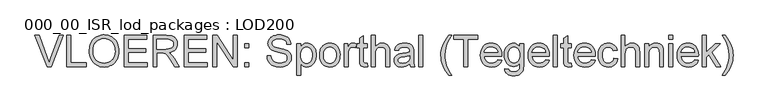
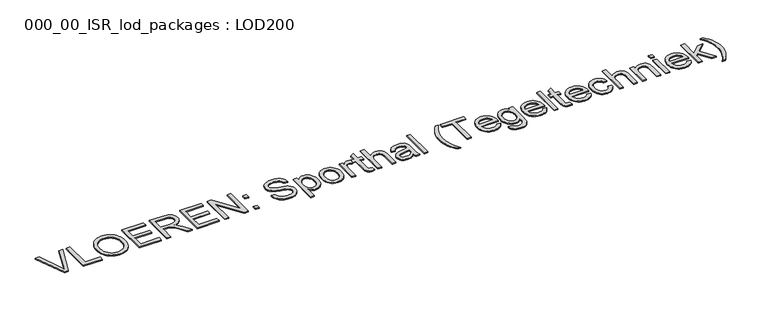
"""IFC4 building model written with IfcOpenShell, lengths in millimetres: proxy geometry, 000_00_ISR_lod_packages : LOD200."""

from ifc_helpers import new_model, si_unit, origin, origin_with_axes, place, context, project, spatial, polyline, outline, extrude, source, transform, mapped, element, save


def proxy_000_00_isr_lod_packages_lod200_f73553c7(model_context):
    return source(origin(), model_context, "Body", "SweptSolid", [
        extrude(outline(polyline([(817.155303, 500.0), (505.3560606, 1283.5151515), (610.1818182, 1283.5151515), (818.8768939, 719.0246212), (861.1515152, 591.8181818), (902.8522727, 719.0246212), (1112.1212121, 1283.5151515), (1216.9469697, 1283.5151515), (918.3465909, 500.0), (817.155303, 500.0)])), origin_with_axes(), (0.0, 0.0, 1.0), 25.0),
        extrude(outline(polyline([(1308.0, 500.0), (1308.0, 1283.5151515), (1405.9393939, 1283.5151515), (1405.9393939, 597.9393939), (1797.6969697, 597.9393939), (1797.6969697, 500.0), (1308.0, 500.0)])), origin_with_axes(), (0.0, 0.0, 1.0), 25.0),
        extrude(outline(polyline([(1871.1515152, 881.4280303), (1872.7834399, 928.6970585), (1877.679214, 973.3299006), (1885.8388376, 1015.3265566), (1897.2623106, 1054.6870265), (1911.949633, 1091.4113104), (1929.9008049, 1125.4994081), (1951.1158262, 1156.9513198), (1975.594697, 1185.7670455), (2002.6529652, 1211.546076), (2031.606179, 1233.8879025), (2062.4543383, 1252.7925249), (2095.1974432, 1268.2599432), (2129.8354936, 1280.2901574), (2166.3684896, 1288.8831676), (2204.7964311, 1294.0389737), (2245.1193182, 1295.7575758), (2297.8310843, 1292.5295928), (2347.8887311, 1282.8456439), (2395.2922585, 1266.7057292), (2440.0416667, 1244.1098485), (2480.8816288, 1215.739465), (2516.5568182, 1182.2760417), (2547.0672348, 1143.7195786), (2572.4128788, 1100.0700758), (2592.3307292, 1052.319839), (2606.5577652, 1001.4611742), (2615.0939867, 947.4940814), (2617.9393939, 890.4185606), (2614.9445431, 832.5898437), (2605.9599905, 777.8934659), (2590.9857363, 726.3294271), (2570.0217803, 677.8977273), (2543.5642756, 633.8776042), (2512.109375, 595.5482955), (2475.6570786, 562.9098011), (2434.2073864, 535.9621212), (2389.392223, 514.8726326), (2342.8435133, 499.8087121), (2294.5612571, 490.7703598), (2244.5454545, 487.7575758), (2190.9131155, 491.0871804), (2140.1979167, 501.0759943), (2092.399858, 517.7240175), (2047.5189394, 541.03125), (2006.7267992, 570.0950521), (1971.1950758, 604.0127841), (1940.9237689, 642.784446), (1915.9128788, 686.4100379), (1896.3297822, 733.13808), (1882.3418561, 781.2170928), (1873.9491004, 830.6470762), (1871.1515152, 881.4280303)]), holes=[polyline([(1969.0909091, 880.4715909), (1973.9866832, 815.5413116), (1988.6740057, 757.9038826), (2013.1528764, 707.559304), (2047.4232955, 664.5075758), (2089.0822088, 630.0279356), (2135.7265625, 605.3996212), (2187.3563565, 590.6226326), (2243.9715909, 585.6969697), (2301.5552202, 590.6704545), (2353.7947443, 605.5909091), (2400.6901634, 630.4583333), (2442.2414773, 665.2727273), (2460.466131, 686.2097834), (2476.260831, 709.2330729), (2500.5603693, 761.5383523), (2515.1400923, 822.1885653), (2520.0, 891.1837121), (2517.9197443, 936.0048532), (2511.6789773, 977.8849432), (2501.2776989, 1016.823982), (2486.7159091, 1052.8219697), (2468.1550071, 1085.4066643), (2445.756392, 1114.1058239), (2419.5200639, 1138.9194484), (2389.4460227, 1159.8475379), (2356.4667969, 1176.4596946), (2321.5149148, 1188.3255208), (2284.5903764, 1195.4450166), (2245.6931818, 1197.8181818), (2191.0446259, 1193.245206), (2140.3413826, 1179.5262784), (2093.5834517, 1156.6613991), (2050.7708333, 1124.6505682), (2031.6271011, 1104.8298562), (2015.0358665, 1081.951527), (2000.9971295, 1056.0155806), (1989.5108902, 1027.022017), (1974.1959044, 959.8620384), (1969.0909091, 880.4715909)])]), origin_with_axes(), (0.0, 0.0, 1.0), 25.0),
        extrude(outline(polyline([(2752.6060606, 500.0), (2752.6060606, 1283.5151515), (3315.7575758, 1283.5151515), (3315.7575758, 1185.5757576), (2850.5454545, 1185.5757576), (2850.5454545, 952.969697), (3291.2727273, 952.969697), (3291.2727273, 855.030303), (2850.5454545, 855.030303), (2850.5454545, 597.9393939), (3328.0, 597.9393939), (3328.0, 500.0), (2752.6060606, 500.0)])), origin_with_axes(), (0.0, 0.0, 1.0), 25.0),
        extrude(outline(polyline([(3474.9090909, 500.0), (3474.9090909, 1283.5151515), (3812.532197, 1283.5151515), (3903.2743845, 1278.2308239), (3939.3739938, 1271.6254143), (3969.2926136, 1262.3778409), (3994.769768, 1249.7767519), (4017.5449811, 1233.1107955), (4037.6182528, 1212.3799716), (4054.9895833, 1187.5842803), (4069.0073982, 1160.056759), (4079.0201231, 1131.1304451), (4085.027758, 1100.8053385), (4087.030303, 1069.0814394), (4083.7126539, 1028.8392519), (4073.7597064, 991.8967803), (4057.1714607, 958.2540246), (4033.9479167, 927.9109848), (4003.790187, 901.8360559), (3966.3993845, 880.9976326), (3921.775509, 865.395715), (3869.9185606, 855.030303), (3902.1983902, 833.9408144), (3925.5833333, 813.1382576), (3965.7059659, 765.5553977), (4004.967803, 712.3295455), (4135.6174242, 500.0), (4021.8011364, 500.0), (3919.844697, 662.4034091), (3846.1988636, 769.907197), (3818.820786, 801.2544981), (3794.4554924, 820.6941288), (3771.381392, 832.0996686), (3747.8768939, 839.344697), (3691.0643939, 842.7878788), (3572.8484848, 842.7878788), (3572.8484848, 500.0), (3474.9090909, 500.0)]), holes=[polyline([(3572.8484848, 940.7272727), (3792.0643939, 940.7272727), (3855.022017, 944.1943655), (3903.8721591, 954.5956439), (3940.6472538, 972.6245265), (3955.268821, 984.7593513), (3967.3797348, 998.9744318), (3983.6631155, 1030.8477746), (3989.0909091, 1065.4469697), (3986.502545, 1090.4937263), (3978.7374527, 1113.2211174), (3965.7956321, 1133.629143), (3947.6770833, 1151.717803), (3923.9633641, 1166.5306581), (3894.2360322, 1177.1112689), (3858.4950876, 1183.4596354), (3816.7405303, 1185.5757576), (3572.8484848, 1185.5757576), (3572.8484848, 940.7272727)])]), origin_with_axes(), (0.0, 0.0, 1.0), 25.0),
        extrude(outline(polyline([(4258.4242424, 500.0), (4258.4242424, 1283.5151515), (4821.5757576, 1283.5151515), (4821.5757576, 1185.5757576), (4356.3636364, 1185.5757576), (4356.3636364, 952.969697), (4797.0909091, 952.969697), (4797.0909091, 855.030303), (4356.3636364, 855.030303), (4356.3636364, 597.9393939), (4833.8181818, 597.9393939), (4833.8181818, 500.0), (4258.4242424, 500.0)])), origin_with_axes(), (0.0, 0.0, 1.0), 25.0),
        extrude(outline(polyline([(4980.7272727, 500.0), (4980.7272727, 1283.5151515), (5085.5530303, 1283.5151515), (5494.9090909, 662.7859848), (5494.9090909, 1283.5151515), (5592.8484848, 1283.5151515), (5592.8484848, 500.0), (5488.0227273, 500.0), (5078.6666667, 1120.9204545), (5078.6666667, 500.0), (4980.7272727, 500.0)])), origin_with_axes(), (0.0, 0.0, 1.0), 25.0),
        extrude(outline(polyline([(5776.4848485, 500.0), (5776.4848485, 597.9393939), (5874.4242424, 597.9393939), (5874.4242424, 500.0), (5776.4848485, 500.0)])), origin_with_axes(), (0.0, 0.0, 1.0), 25.0),
        extrude(outline(polyline([(5776.4848485, 977.4545455), (5776.4848485, 1075.3939394), (5874.4242424, 1075.3939394), (5874.4242424, 977.4545455), (5776.4848485, 977.4545455)])), origin_with_axes(), (0.0, 0.0, 1.0), 25.0),
        extrude(outline(polyline([(6339.6363636, 769.3333333), (6437.5757576, 769.3333333), (6448.8139205, 714.9836648), (6457.8403172, 691.8079427), (6469.1382576, 671.2982955), (6483.2816051, 653.0422585), (6500.8442235, 636.6273674), (6521.8261127, 622.0536222), (6546.2272727, 609.3210227), (6573.1510417, 598.9854995), (6601.7007576, 591.602983), (6663.6780303, 585.6969697), (6718.2428977, 590.1683239), (6766.0170455, 603.5823864), (6804.7289299, 624.8153409), (6819.8346946, 637.9424716), (6832.1070076, 652.7433712), (6848.3903883, 684.8080019), (6853.8181818, 718.4507576), (6849.7533144, 751.2327178), (6837.5587121, 779.5672348), (6827.3008996, 792.1384351), (6812.7869318, 803.7412405), (6770.9905303, 824.0416667), (6719.2710701, 839.4164299), (6628.3854167, 861.438447), (6534.773911, 886.1863163), (6474.8768939, 909.7386364), (6448.7242543, 925.340554), (6426.1223958, 942.6879735), (6407.0713187, 961.7808949), (6391.5710227, 982.6193182), (6379.5617306, 1004.9880445), (6370.9836648, 1028.671875), (6365.8368253, 1053.6708097), (6364.1212121, 1079.9848485), (6366.243312, 1109.1502723), (6372.6096117, 1137.3473011), (6383.2201113, 1164.5759351), (6398.0748106, 1190.8361742), (6417.0063329, 1215.0580019), (6439.8473011, 1236.1714015), (6466.5977154, 1254.1763731), (6497.2575758, 1269.0729167), (6530.792732, 1280.747455), (6566.1690341, 1289.086411), (6603.386482, 1294.0897846), (6642.4450758, 1295.7575758), (6685.0544508, 1294.0120739), (6725.0814394, 1288.7755682), (6762.5260417, 1280.0480587), (6797.3882576, 1267.8295455), (6829.0224905, 1252.2276278), (6856.7831439, 1233.3499053), (6880.6702178, 1211.1963778), (6900.6837121, 1185.7670455), (6916.6682055, 1157.8031487), (6928.4682765, 1128.045928), (6936.0839252, 1096.4953835), (6939.5151515, 1063.1515152), (6841.5757576, 1063.1515152), (6835.0241477, 1094.4031723), (6823.594697, 1121.5899621), (6807.2874053, 1144.7118845), (6786.1022727, 1163.7689394), (6759.644768, 1178.665483), (6727.5203598, 1189.3058712), (6689.7290483, 1195.6901042), (6646.2708333, 1197.8181818), (6601.4257813, 1195.7140152), (6563.108428, 1189.4015152), (6531.3187737, 1178.8806818), (6506.0568182, 1164.1515152), (6486.8084754, 1146.4454309), (6473.0596591, 1126.9938447), (6464.8103693, 1105.7967566), (6462.0606061, 1082.8541667), (6464.0093513, 1063.1156487), (6469.8555871, 1045.2182765), (6479.5993134, 1029.1620502), (6493.2405303, 1014.9469697), (6514.7125947, 1001.4850852), (6548.5227273, 987.8797348), (6653.157197, 960.2386364), (6761.1392045, 933.984375), (6826.4640152, 911.0776515), (6856.4902344, 894.3519176), (6882.2961648, 875.545928), (6903.8818063, 854.6596828), (6921.2471591, 831.6931818), (6934.5954664, 806.7659801), (6944.1299716, 779.9976326), (6949.8506747, 751.3881392), (6951.7575758, 720.9375), (6949.5637429, 690.3015507), (6942.9822443, 660.5622633), (6932.01308, 631.7196378), (6916.65625, 603.7736742), (6897.1807528, 577.8063447), (6873.8555871, 554.8996212), (6846.6807528, 535.0535038), (6815.65625, 518.2679924), (6781.6847183, 504.9196851), (6745.6687973, 495.3851799), (6707.6084872, 489.6644768), (6667.5037879, 487.7575758), (6617.4042969, 489.8139205), (6571.5490057, 495.9829545), (6529.9379143, 506.264678), (6492.5710227, 520.6590909), (6459.2211766, 539.1901042), (6429.6612216, 561.8816288), (6403.8911577, 588.7336648), (6381.9109848, 619.7462121), (6364.2049006, 653.9150095), (6351.2571023, 690.2357955), (6343.06759, 728.7085701), (6339.6363636, 769.3333333)])), origin_with_axes(), (0.0, 0.0, 1.0), 25.0),
        extrude(outline(polyline([(7086.4242424, 279.6363636), (7086.4242424, 1075.3939394), (7184.3636364, 1075.3939394), (7184.3636364, 979.3674242), (7216.3087121, 1026.7350852), (7252.0795455, 1060.5691288), (7271.9256629, 1072.411044), (7293.780303, 1080.8695549), (7317.6434659, 1085.9446615), (7343.5151515, 1087.6363636), (7377.6719934, 1085.2691761), (7409.7485795, 1078.1676136), (7439.74491, 1066.3316761), (7467.6609848, 1049.7613636), (7492.8870739, 1028.8870739), (7514.813447, 1004.1392045), (7533.4401042, 975.5177557), (7548.7670455, 943.0227273), (7560.7344934, 907.7659801), (7569.2826705, 870.859375), (7574.4115767, 832.3029119), (7576.1212121, 792.0965909), (7574.1904001, 749.1106179), (7568.397964, 708.336411), (7558.7439039, 669.7739702), (7545.2282197, 633.4232955), (7528.0362216, 600.2348485), (7507.3532197, 571.1590909), (7483.179214, 546.1960227), (7455.5142045, 525.3456439), (7425.7151397, 508.9008641), (7395.1389678, 497.1545928), (7363.7856889, 490.10683), (7331.655303, 487.7575758), (7308.5393584, 489.329723), (7286.6309186, 494.0461648), (7265.9299834, 501.906901), (7246.436553, 512.9119318), (7212.0286458, 541.3899148), (7184.3636364, 576.5151515), (7184.3636364, 279.6363636), (7086.4242424, 279.6363636)]), holes=[polyline([(7184.3636364, 783.1060606), (7187.0117779, 735.9057765), (7194.9562027, 695.3049242), (7208.1969105, 661.3035038), (7226.7339015, 633.9015152), (7249.0488281, 612.8120265), (7273.6233428, 597.7481061), (7300.4574455, 588.7097538), (7329.5511364, 585.6969697), (7359.0632694, 588.8173532), (7386.3875473, 598.1785038), (7411.5239702, 613.7804214), (7434.4725379, 635.6231061), (7453.595348, 664.0174006), (7467.2544981, 699.2741477), (7475.4499882, 741.3933475), (7478.1818182, 790.375), (7475.5157434, 837.1687973), (7467.5175189, 877.6979167), (7454.1871449, 911.962358), (7435.5246212, 939.9621212), (7413.1558949, 961.7211174), (7388.7069129, 977.2632576), (7362.1776752, 986.5885417), (7333.5681818, 989.6969697), (7305.0483546, 986.391276), (7278.2142519, 976.4741951), (7253.0658736, 959.9457268), (7229.6032197, 936.8058712), (7209.810902, 907.3654711), (7195.6735322, 871.9353693), (7187.1911103, 830.5155658), (7184.3636364, 783.1060606)])]), origin_with_axes(), (0.0, 0.0, 1.0), 25.0),
        extrude(outline(polyline([(7661.8181818, 787.6969697), (7667.114465, 862.215554), (7673.7348189, 895.6102332), (7683.0033144, 926.4285038), (7694.9199515, 954.6703658), (7709.4847301, 980.3358191), (7726.6976503, 1003.4248639), (7746.5587121, 1023.9375), (7783.8837595, 1051.8057528), (7825.0823864, 1071.7116477), (7870.1545928, 1083.6551847), (7919.1003788, 1087.6363636), (7973.1332268, 1082.7884115), (8021.9893466, 1068.2445549), (8065.6687382, 1044.004794), (8104.1714015, 1010.0691288), (8135.5964134, 967.5852865), (8158.0428504, 917.7009943), (8171.5107126, 860.4162524), (8176.0, 795.7310606), (8174.0153883, 743.3062263), (8168.061553, 696.7874053), (8158.1384943, 656.1745975), (8144.2462121, 621.467803), (8126.5580611, 591.4894058), (8105.2473958, 565.0617898), (8080.3142164, 542.184955), (8051.7585227, 522.8589015), (8020.6921757, 507.5020715), (7988.227036, 496.5329072), (7954.3631037, 489.9514086), (7919.1003788, 487.7575758), (7864.2784683, 492.5875947), (7814.9680398, 507.0776515), (7771.1690933, 531.2277462), (7732.8816288, 565.0378788), (7701.7913707, 607.9341856), (7679.5840436, 659.342803), (7666.2596473, 719.2637311), (7661.8181818, 787.6969697)]), holes=[polyline([(7759.7575758, 787.8882576), (7762.5910275, 740.3831084), (7771.0913826, 699.2502367), (7785.2586411, 664.4896425), (7805.092803, 636.1013258), (7829.2189867, 614.04942), (7856.2623106, 598.2980587), (7886.2227746, 588.847242), (7919.1003788, 585.6969697), (7951.8106061, 588.8651752), (7981.6515152, 598.3697917), (8008.6231061, 614.2108191), (8032.7253788, 636.3882576), (8052.5595407, 665.0575284), (8066.7267992, 700.374053), (8075.2271544, 742.3378314), (8078.0606061, 790.9488636), (8075.2092211, 836.9476207), (8066.6550663, 877.0044981), (8052.3981416, 911.1194957), (8032.438447, 939.2926136), (8008.246508, 961.3445194), (7981.2928504, 977.0958807), (7951.577474, 986.5466974), (7919.1003788, 989.6969697), (7886.2227746, 986.5586529), (7856.2623106, 977.1437027), (7829.2189867, 961.4521188), (7805.092803, 939.4839015), (7785.2586411, 911.1792732), (7771.0913826, 876.4784564), (7762.5910275, 835.3814512), (7759.7575758, 787.8882576)])]), origin_with_axes(), (0.0, 0.0, 1.0), 25.0),
        extrude(outline(polyline([(8286.1818182, 500.0), (8286.1818182, 1075.3939394), (8371.8787879, 1075.3939394), (8371.8787879, 990.2708333), (8403.5369318, 1039.6231061), (8432.7083333, 1068.6988636), (8461.9753788, 1082.9019886), (8493.9204545, 1087.6363636), (8518.2140152, 1085.7473958), (8542.6988636, 1080.0804924), (8567.375, 1070.6356534), (8592.2424242, 1057.4128788), (8559.532197, 969.6117424), (8525.1003788, 984.6756629), (8490.6685606, 989.6969697), (8461.4254261, 984.8669508), (8435.2907197, 970.3768939), (8414.1773201, 947.3267045), (8399.9981061, 916.8162879), (8388.0904356, 862.1079545), (8384.1212121, 802.4261364), (8384.1212121, 500.0), (8286.1818182, 500.0)])), origin_with_axes(), (0.0, 0.0, 1.0), 25.0),
        extrude(outline(polyline([(8861.5757576, 581.6799242), (8873.8181818, 497.1306818), (8835.0345644, 490.1008523), (8800.5549242, 487.7575758), (8753.545928, 491.8224432), (8718.4924242, 504.0170455), (8693.7206439, 522.8110795), (8677.5568182, 546.6742424), (8668.6619318, 587.6576705), (8665.6969697, 657.8125), (8665.6969697, 977.4545455), (8592.2424242, 977.4545455), (8592.2424242, 1075.3939394), (8665.6969697, 1075.3939394), (8665.6969697, 1215.2253788), (8763.6363636, 1272.8030303), (8763.6363636, 1075.3939394), (8861.5757576, 1075.3939394), (8861.5757576, 977.4545455), (8763.6363636, 977.4545455), (8763.6363636, 660.6818182), (8764.9275568, 628.4498106), (8768.8011364, 610.1818182), (8775.5679451, 600.0674716), (8785.5388258, 592.2964015), (8799.6702178, 587.3468277), (8818.9185606, 585.6969697), (8861.5757576, 581.6799242)])), origin_with_axes(), (0.0, 0.0, 1.0), 25.0),
        extrude(outline(polyline([(8959.5151515, 500.0), (8959.5151515, 1283.5151515), (9057.4545455, 1283.5151515), (9057.4545455, 995.4356061), (9093.4286222, 1035.7734375), (9133.8262311, 1064.5861742), (9178.6473722, 1081.8738163), (9227.8920455, 1087.6363636), (9258.5100616, 1086.0642164), (9287.047822, 1081.3477746), (9313.5053267, 1073.4870384), (9337.8825758, 1062.4820076), (9359.5578835, 1048.7033026), (9377.9095644, 1032.5215436), (9392.9376184, 1013.9367306), (9404.6420455, 992.9488636), (9413.4293324, 968.2607718), (9419.7059659, 938.5752841), (9424.7272727, 864.2121212), (9424.7272727, 500.0), (9326.7878788, 500.0), (9326.7878788, 854.0738636), (9324.8391335, 887.1427557), (9318.9928977, 915.3816288), (9309.2491714, 938.790483), (9295.6079545, 957.3693182), (9278.3920455, 971.5126657), (9257.9242424, 981.6150568), (9234.2045455, 987.6764915), (9207.2329545, 989.6969697), (9165.8430398, 984.2452652), (9126.9876894, 967.8901515), (9109.5446259, 956.0183475), (9094.8035038, 942.2097538), (9082.7643229, 926.4643703), (9073.4270833, 908.782197), (9061.4476799, 864.3555871), (9057.4545455, 805.6780303), (9057.4545455, 500.0), (8959.5151515, 500.0)])), origin_with_axes(), (0.0, 0.0, 1.0), 25.0),
        extrude(outline(polyline([(9926.6666667, 573.4545455), (9879.8728693, 533.3319129), (9855.9559067, 518.4712358), (9831.6922348, 507.0776515), (9781.024858, 492.5875947), (9726.7708333, 487.7575758), (9683.1631747, 490.6627604), (9644.9235322, 499.3783144), (9612.0519058, 513.9042377), (9584.5482955, 534.2405303), (9562.8311435, 559.0959991), (9547.318892, 587.1794508), (9538.0115412, 618.4908854), (9534.9090909, 653.030303), (9539.5956439, 693.6311553), (9553.655303, 730.5018939), (9575.3425663, 762.0643939), (9602.9119318, 786.7405303), (9635.3113163, 805.3910985), (9671.4886364, 818.8768939), (9756.2291667, 833.6060606), (9856.3683712, 849.1003788), (9926.092803, 867.2727273), (9926.6666667, 889.0795455), (9924.9809422, 912.8231534), (9919.9237689, 932.7888258), (9911.4951468, 948.9765625), (9899.6950758, 961.3863636), (9879.2990057, 973.7722538), (9854.4554924, 982.6193182), (9825.164536, 987.9275568), (9791.4261364, 989.6969697), (9733.0833333, 984.9865057), (9710.5113636, 979.0984257), (9692.3390152, 970.8551136), (9677.4066051, 959.610973), (9664.5544508, 944.7204072), (9653.7825521, 926.1834162), (9645.0909091, 904.0), (9547.1515152, 916.2424242), (9564.1522254, 969.8030303), (9575.7908973, 992.2793561), (9589.5217803, 1011.8863636), (9605.9366714, 1029.0185843), (9625.6273674, 1044.0705492), (9648.5938684, 1057.0422585), (9674.8361742, 1067.9337121), (9735.0201231, 1082.7107008), (9804.0511364, 1087.6363636), (9870.2606534, 1083.2845644), (9922.7452652, 1070.2291667), (9962.3179451, 1050.5982481), (9989.7916667, 1026.5198864), (10008.0118371, 996.7507102), (10019.8238636, 960.0473485), (10023.4105114, 926.1893939), (10024.6060606, 874.3503788), (10024.6060606, 752.5), (10025.8494318, 646.3591383), (10029.5795455, 582.3494318), (10036.9441288, 540.2900095), (10049.0909091, 500.0), (9951.1515152, 500.0), (9935.4659091, 534.0492424), (9926.6666667, 573.4545455)]), holes=[polyline([(9926.6666667, 769.3333333), (9860.8636364, 753.0260417), (9768.6628788, 739.3011364), (9717.852036, 731.7930871), (9684.4005682, 723.4242424), (9662.4741951, 712.5686553), (9646.2386364, 697.6003788), (9636.1960227, 679.6671402), (9632.8484848, 659.9166667), (9634.6716974, 644.6973248), (9640.1413352, 630.7930871), (9649.2573982, 618.2039536), (9662.0198864, 606.9299242), (9678.3092448, 597.6405066), (9698.0059186, 591.0052083), (9747.6212121, 585.6969697), (9800.2253788, 591.555161), (9824.2320076, 598.8779001), (9846.7083333, 609.1297348), (9884.3920455, 635.0253314), (9910.5984848, 665.8465909), (9922.2192235, 697.6003788), (9926.092803, 741.5965909), (9926.6666667, 769.3333333)])]), origin_with_axes(), (0.0, 0.0, 1.0), 25.0),
        extrude(outline(polyline([(10159.2727273, 500.0), (10159.2727273, 1283.5151515), (10257.2121212, 1283.5151515), (10257.2121212, 500.0), (10159.2727273, 500.0)])), origin_with_axes(), (0.0, 0.0, 1.0), 25.0),
        extrude(outline(polyline([(10906.0606061, 279.6363636), (10866.5237926, 330.7939157), (10830.1671402, 386.1358902), (10796.9906487, 445.6622869), (10766.9943182, 509.3731061), (10742.1388494, 575.773911), (10724.3849432, 643.3702652), (10713.7325994, 712.1621686), (10710.1818182, 782.1496212), (10712.8359375, 843.6606297), (10720.7982955, 903.8565341), (10734.068892, 962.7373343), (10752.6477273, 1020.3030303), (10780.8866004, 1086.3212595), (10815.8683712, 1152.1960227), (10857.5930398, 1217.9273201), (10906.0606061, 1283.5151515), (10979.5151515, 1283.5151515), (10921.889678, 1190.4057765), (10887.8882576, 1128.3806818), (10856.6126894, 1054.7348485), (10832.7973485, 978.0284091), (10814.2902462, 880.0411932), (10808.1212121, 781.5757576), (10810.7992424, 718.7914891), (10818.8333333, 656.0191761), (10832.2234848, 593.2588187), (10850.969697, 530.5104167), (10875.0719697, 467.7739702), (10904.530303, 405.0494792), (10939.344697, 342.3369437), (10979.5151515, 279.6363636), (10906.0606061, 279.6363636)])), origin_with_axes(), (0.0, 0.0, 1.0), 25.0),
        extrude(outline(polyline([(11285.5757576, 500.0), (11285.5757576, 1185.5757576), (11028.4848485, 1185.5757576), (11028.4848485, 1283.5151515), (11640.6060606, 1283.5151515), (11640.6060606, 1185.5757576), (11383.5151515, 1185.5757576), (11383.5151515, 500.0), (11285.5757576, 500.0)])), origin_with_axes(), (0.0, 0.0, 1.0), 25.0),
        extrude(outline(polyline([(12141.3977273, 671.3939394), (12237.4242424, 659.1515152), (12222.7010535, 620.690696), (12202.8250473, 586.796875), (12177.796224, 557.4700521), (12147.6145833, 532.7102273), (12112.5909683, 513.0434422), (12073.0362216, 498.9957386), (12028.9503433, 490.5671165), (11980.3333333, 487.7575758), (11919.5635653, 492.6055279), (11865.4171402, 507.1493845), (11817.8940578, 531.3891454), (11776.9943182, 565.3248106), (11744.1047585, 608.0118963), (11720.6122159, 658.5059186), (11706.5166903, 716.8068774), (11701.8181818, 782.9147727), (11706.5645123, 851.2643229), (11720.8035038, 911.5080492), (11744.5351563, 963.6459517), (11777.7594697, 1007.6780303), (11818.5516098, 1042.6598011), (11864.9867424, 1067.6467803), (11917.0648674, 1082.6389678), (11974.7859848, 1087.6363636), (12030.6480232, 1082.6509233), (12081.1659564, 1067.6946023), (12126.3397846, 1042.7674006), (12166.1695076, 1007.8693182), (12198.6824692, 963.9328835), (12221.9060133, 911.890625), (12235.8401397, 851.7425426), (12240.4848485, 783.4886364), (12239.9109848, 757.0909091), (11799.7575758, 757.0909091), (11805.4304569, 718.0084044), (11816.710464, 683.7798295), (11833.5975971, 654.4051847), (11856.0918561, 629.8844697), (11882.9498698, 610.5524384), (11912.928267, 596.7438447), (11946.0270478, 588.4586884), (11982.2462121, 585.6969697), (12034.3721591, 590.8139205), (12078.2727273, 606.1647727), (12097.1384943, 617.9170218), (12113.9479167, 632.7059659), (12128.7009943, 650.5316051), (12141.3977273, 671.3939394)]), holes=[polyline([(11799.7575758, 855.030303), (12142.5454545, 855.030303), (12137.5121922, 882.7431345), (12129.2987689, 906.7736742), (12117.9051847, 927.1219223), (12103.3314394, 943.7878788), (12076.6228693, 963.8731061), (12046.2320076, 978.219697), (12012.1588542, 986.8276515), (11974.4034091, 989.6969697), (11939.9656132, 987.4074929), (11908.3851799, 980.5390625), (11879.6621094, 969.0916785), (11853.7964015, 953.0653409), (11832.091205, 933.2012902), (11815.8496686, 910.240767), (11805.0717921, 884.1837713), (11799.7575758, 855.030303)])]), origin_with_axes(), (0.0, 0.0, 1.0), 25.0),
        extrude(outline(polyline([(12313.9393939, 451.030303), (12411.8787879, 438.7878788), (12416.0153883, 422.2892992), (12422.686553, 408.1818182), (12431.8922822, 396.4654356), (12443.6325758, 387.1401515), (12462.6298532, 377.5996686), (12484.8072917, 370.7850379), (12538.7026515, 365.3333333), (12569.2848011, 366.8755919), (12596.1846591, 371.5023674), (12619.4022254, 379.21366), (12638.9375, 390.0094697), (12655.1969697, 403.5909091), (12668.5871212, 419.6590909), (12679.1079545, 438.2140152), (12686.7594697, 459.2556818), (12692.0677083, 501.3868371), (12693.4545455, 573.4545455), (12660.8638731, 541.3181818), (12624.4952652, 518.3636364), (12584.3487216, 504.5909091), (12540.4242424, 500.0), (12486.7261482, 505.3441051), (12439.4481534, 521.3764205), (12398.590258, 548.096946), (12364.1524621, 585.5056818), (12336.8281842, 630.3866004), (12317.3108428, 679.5236742), (12305.600438, 732.9169034), (12301.6969697, 790.5662879), (12303.4484493, 830.8981416), (12308.7028883, 869.6399148), (12317.4602865, 906.7916075), (12329.7206439, 942.3532197), (12345.2986506, 975.1411577), (12364.0089962, 1003.9718277), (12385.8516809, 1028.8452296), (12410.8267045, 1049.7613636), (12438.5335582, 1066.3316761), (12468.571733, 1078.1676136), (12500.9412287, 1085.2691761), (12535.6420455, 1087.6363636), (12581.4435369, 1082.280303), (12623.0127841, 1066.2121212), (12660.3497869, 1039.4318182), (12693.4545455, 1001.9393939), (12693.4545455, 1075.3939394), (12791.3939394, 1075.3939394), (12791.3939394, 578.6193182), (12789.7201705, 516.3730469), (12784.6988636, 463.9183239), (12776.3300189, 421.2551491), (12764.6136364, 388.3835227), (12749.2687618, 361.8722183), (12730.0144413, 338.2900095), (12706.8506747, 317.6368963), (12679.7774621, 299.9128788), (12649.0697798, 285.6858428), (12615.0026042, 275.5236742), (12577.5759351, 269.4263731), (12536.7897727, 267.3939394), (12488.8064039, 270.2572798), (12445.6650095, 278.8473011), (12407.3655895, 293.1640033), (12373.9081439, 313.2073864), (12346.8827533, 339.0013613), (12327.8794981, 370.569839), (12316.8983783, 407.9128196), (12313.9393939, 451.030303)]), holes=[polyline([(12399.6363636, 797.2613636), (12402.2486387, 748.8356416), (12410.085464, 707.4277936), (12423.1468395, 673.0378196), (12441.4327652, 645.6657197), (12463.6640033, 624.7854522), (12488.5613163, 609.8709754), (12516.1247041, 600.9222893), (12546.3541667, 597.9393939), (12576.284742, 600.9043561), (12603.7166193, 609.7992424), (12628.6497988, 624.624053), (12651.0842803, 645.3787879), (12669.6212713, 672.4818892), (12682.8619792, 706.3517992), (12690.8064039, 746.988518), (12693.4545455, 794.3920455), (12690.7286932, 839.8169389), (12682.5511364, 879.2999527), (12668.921875, 912.8410866), (12649.8409091, 940.4403409), (12626.9222301, 961.990116), (12601.7798295, 977.3828125), (12574.4137074, 986.6184304), (12544.8238636, 989.6969697), (12515.7301728, 986.6662524), (12488.8960701, 977.5741004), (12464.3215554, 962.4205137), (12442.0066288, 941.2054924), (12423.4696378, 914.0246804), (12410.2289299, 880.9737216), (12402.2845052, 842.052616), (12399.6363636, 797.2613636)])]), origin_with_axes(), (0.0, 0.0, 1.0), 25.0),
        extrude(outline(polyline([(13341.155303, 671.3939394), (13437.1818182, 659.1515152), (13422.4586293, 620.690696), (13402.5826231, 586.796875), (13377.5537997, 557.4700521), (13347.3721591, 532.7102273), (13312.348544, 513.0434422), (13272.7937973, 498.9957386), (13228.707919, 490.5671165), (13180.0909091, 487.7575758), (13119.3211411, 492.6055279), (13065.1747159, 507.1493845), (13017.6516335, 531.3891454), (12976.7518939, 565.3248106), (12943.8623343, 608.0118963), (12920.3697917, 658.5059186), (12906.2742661, 716.8068774), (12901.5757576, 782.9147727), (12906.3220881, 851.2643229), (12920.5610795, 911.5080492), (12944.292732, 963.6459517), (12977.5170455, 1007.6780303), (13018.3091856, 1042.6598011), (13064.7443182, 1067.6467803), (13116.8224432, 1082.6389678), (13174.5435606, 1087.6363636), (13230.405599, 1082.6509233), (13280.9235322, 1067.6946023), (13326.0973603, 1042.7674006), (13365.9270833, 1007.8693182), (13398.440045, 963.9328835), (13421.663589, 911.890625), (13435.5977154, 851.7425426), (13440.2424242, 783.4886364), (13439.6685606, 757.0909091), (12999.5151515, 757.0909091), (13005.1880327, 718.0084044), (13016.4680398, 683.7798295), (13033.3551728, 654.4051847), (13055.8494318, 629.8844697), (13082.7074455, 610.5524384), (13112.6858428, 596.7438447), (13145.7846236, 588.4586884), (13182.0037879, 585.6969697), (13234.1297348, 590.8139205), (13278.030303, 606.1647727), (13296.8960701, 617.9170218), (13313.7054924, 632.7059659), (13328.4585701, 650.5316051), (13341.155303, 671.3939394)]), holes=[polyline([(12999.5151515, 855.030303), (13342.3030303, 855.030303), (13337.269768, 882.7431345), (13329.0563447, 906.7736742), (13317.6627604, 927.1219223), (13303.0890152, 943.7878788), (13276.3804451, 963.8731061), (13245.9895833, 978.219697), (13211.9164299, 986.8276515), (13174.1609848, 989.6969697), (13139.7231889, 987.4074929), (13108.1427557, 980.5390625), (13079.4196851, 969.0916785), (13053.5539773, 953.0653409), (13031.8487808, 933.2012902), (13015.6072443, 910.240767), (13004.8293679, 884.1837713), (12999.5151515, 855.030303)])]), origin_with_axes(), (0.0, 0.0, 1.0), 25.0),
        extrude(outline(polyline([(13538.1818182, 500.0), (13538.1818182, 1283.5151515), (13636.1212121, 1283.5151515), (13636.1212121, 500.0), (13538.1818182, 500.0)])), origin_with_axes(), (0.0, 0.0, 1.0), 25.0),
        extrude(outline(polyline([(13991.1515152, 581.6799242), (14003.3939394, 497.1306818), (13964.610322, 490.1008523), (13930.1306818, 487.7575758), (13883.1216856, 491.8224432), (13848.0681818, 504.0170455), (13823.2964015, 522.8110795), (13807.1325758, 546.6742424), (13798.2376894, 587.6576705), (13795.2727273, 657.8125), (13795.2727273, 977.4545455), (13721.8181818, 977.4545455), (13721.8181818, 1075.3939394), (13795.2727273, 1075.3939394), (13795.2727273, 1215.2253788), (13893.2121212, 1272.8030303), (13893.2121212, 1075.3939394), (13991.1515152, 1075.3939394), (13991.1515152, 977.4545455), (13893.2121212, 977.4545455), (13893.2121212, 660.6818182), (13894.5033144, 628.4498106), (13898.3768939, 610.1818182), (13905.1437027, 600.0674716), (13915.1145833, 592.2964015), (13929.2459754, 587.3468277), (13948.4943182, 585.6969697), (13991.1515152, 581.6799242)])), origin_with_axes(), (0.0, 0.0, 1.0), 25.0),
        extrude(outline(polyline([(14491.9431818, 671.3939394), (14587.969697, 659.1515152), (14573.246508, 620.690696), (14553.3705019, 586.796875), (14528.3416785, 557.4700521), (14498.1600379, 532.7102273), (14463.1364228, 513.0434422), (14423.5816761, 498.9957386), (14379.4957978, 490.5671165), (14330.8787879, 487.7575758), (14270.1090199, 492.6055279), (14215.9625947, 507.1493845), (14168.4395123, 531.3891454), (14127.5397727, 565.3248106), (14094.6502131, 608.0118963), (14071.1576705, 658.5059186), (14057.0621449, 716.8068774), (14052.3636364, 782.9147727), (14057.1099669, 851.2643229), (14071.3489583, 911.5080492), (14095.0806108, 963.6459517), (14128.3049242, 1007.6780303), (14169.0970644, 1042.6598011), (14215.532197, 1067.6467803), (14267.610322, 1082.6389678), (14325.3314394, 1087.6363636), (14381.1934777, 1082.6509233), (14431.711411, 1067.6946023), (14476.8852391, 1042.7674006), (14516.7149621, 1007.8693182), (14549.2279238, 963.9328835), (14572.4514678, 911.890625), (14586.3855942, 851.7425426), (14591.030303, 783.4886364), (14590.4564394, 757.0909091), (14150.3030303, 757.0909091), (14155.9759115, 718.0084044), (14167.2559186, 683.7798295), (14184.1430516, 654.4051847), (14206.6373106, 629.8844697), (14233.4953243, 610.5524384), (14263.4737216, 596.7438447), (14296.5725024, 588.4586884), (14332.7916667, 585.6969697), (14384.9176136, 590.8139205), (14428.8181818, 606.1647727), (14447.6839489, 617.9170218), (14464.4933712, 632.7059659), (14479.2464489, 650.5316051), (14491.9431818, 671.3939394)]), holes=[polyline([(14150.3030303, 855.030303), (14493.0909091, 855.030303), (14488.0576468, 882.7431345), (14479.8442235, 906.7736742), (14468.4506392, 927.1219223), (14453.8768939, 943.7878788), (14427.1683239, 963.8731061), (14396.7774621, 978.219697), (14362.7043087, 986.8276515), (14324.9488636, 989.6969697), (14290.5110677, 987.4074929), (14258.9306345, 980.5390625), (14230.2075639, 969.0916785), (14204.3418561, 953.0653409), (14182.6366596, 933.2012902), (14166.3951231, 910.240767), (14155.6172467, 884.1837713), (14150.3030303, 855.030303)])]), origin_with_axes(), (0.0, 0.0, 1.0), 25.0),
        extrude(outline(polyline([(15056.2424242, 708.1212121), (15154.1818182, 695.8787879), (15143.5294744, 649.6648319), (15126.8754735, 608.7710701), (15104.2198153, 573.1975024), (15075.5625, 542.9441288), (15042.1110322, 518.8000118), (15005.0729167, 501.554214), (14964.4481534, 491.2067353), (14920.2367424, 487.7575758), (14865.3072325, 492.5696615), (14816.0565814, 507.0059186), (14772.4847893, 531.0663471), (14734.5918561, 564.750947), (14703.9200402, 607.4260772), (14682.0116004, 658.4580966), (14668.8665365, 717.8470052), (14664.4848485, 785.592803), (14666.355883, 830.6231652), (14671.9689867, 872.7483428), (14681.3241596, 911.9683357), (14694.4214015, 948.2831439), (14711.3503788, 980.9634825), (14732.2007576, 1009.2800663), (14756.9725379, 1033.2328954), (14785.6657197, 1052.8219697), (14816.9831321, 1068.053267), (14849.6276042, 1078.9327652), (14883.5991359, 1085.460464), (14918.8977273, 1087.6363636), (14962.3499645, 1084.6474905), (15001.6536458, 1075.6808712), (15036.8087713, 1060.7365057), (15067.8153409, 1039.8143939), (15094.147313, 1013.3927557), (15115.2786458, 981.9498106), (15131.2093395, 945.4855587), (15141.9393939, 904.0), (15044.0, 891.7575758), (15036.3544626, 914.6344105), (15026.2341383, 934.4865057), (15013.639027, 951.3138613), (14998.5691288, 965.1164773), (14981.4070194, 975.8704427), (14962.5352746, 983.5518466), (14941.9538944, 988.1606889), (14919.6628788, 989.6969697), (14886.3847656, 986.6722301), (14856.3705019, 977.5980114), (14829.6200876, 962.4743134), (14806.1335227, 941.3011364), (14787.0107126, 913.5883049), (14773.3515625, 878.8456439), (14765.1560724, 837.0731534), (14762.4242424, 788.2708333), (14765.096295, 738.7332505), (14773.1124527, 696.4765625), (14786.4727154, 661.5007694), (14805.1770833, 633.8058712), (14828.197384, 612.7582268), (14854.5054451, 597.7241951), (14884.1012666, 588.703776), (14916.9848485, 585.6969697), (14943.4841974, 587.573982), (14967.7000473, 593.2050189), (14989.6323982, 602.5900805), (15009.28125, 615.7291667), (15026.0966501, 632.7657434), (15039.5286458, 653.8432765), (15049.5772372, 678.9617661), (15056.2424242, 708.1212121)])), origin_with_axes(), (0.0, 0.0, 1.0), 25.0),
        extrude(outline(polyline([(15239.8787879, 500.0), (15239.8787879, 1283.5151515), (15337.8181818, 1283.5151515), (15337.8181818, 995.4356061), (15373.7922585, 1035.7734375), (15414.1898674, 1064.5861742), (15459.0110085, 1081.8738163), (15508.2556818, 1087.6363636), (15538.8736979, 1086.0642164), (15567.4114583, 1081.3477746), (15593.8689631, 1073.4870384), (15618.2462121, 1062.4820076), (15639.9215199, 1048.7033026), (15658.2732008, 1032.5215436), (15673.3012547, 1013.9367306), (15685.0056818, 992.9488636), (15693.7929688, 968.2607718), (15700.0696023, 938.5752841), (15705.0909091, 864.2121212), (15705.0909091, 500.0), (15607.1515152, 500.0), (15607.1515152, 854.0738636), (15605.2027699, 887.1427557), (15599.3565341, 915.3816288), (15589.6128078, 938.790483), (15575.9715909, 957.3693182), (15558.7556818, 971.5126657), (15538.2878788, 981.6150568), (15514.5681818, 987.6764915), (15487.5965909, 989.6969697), (15446.2066761, 984.2452652), (15407.3513258, 967.8901515), (15389.9082623, 956.0183475), (15375.1671402, 942.2097538), (15363.1279593, 926.4643703), (15353.7907197, 908.782197), (15341.8113163, 864.3555871), (15337.8181818, 805.6780303), (15337.8181818, 500.0), (15239.8787879, 500.0)])), origin_with_axes(), (0.0, 0.0, 1.0), 25.0),
        extrude(outline(polyline([(15839.7575758, 500.0), (15839.7575758, 1075.3939394), (15937.6969697, 1075.3939394), (15937.6969697, 995.0530303), (15971.7223011, 1035.5582386), (15991.29942, 1051.4709991), (16012.5861742, 1064.4905303), (16035.5825639, 1074.6168324), (16060.288589, 1081.8499053), (16114.8295455, 1087.6363636), (16163.1058239, 1082.9737216), (16207.3172348, 1068.9857955), (16244.1879735, 1047.4180871), (16270.4422348, 1020.0160985), (16288.2559186, 986.8515625), (16299.8049242, 947.9962121), (16303.6785038, 910.8385417), (16304.969697, 853.3087121), (16304.969697, 500.0), (16207.030303, 500.0), (16207.030303, 840.1098485), (16204.2088068, 890.7533144), (16195.7443182, 926.7632576), (16180.1304451, 952.5632102), (16155.8607955, 972.5767045), (16124.7526042, 985.4169034), (16088.6231061, 989.6969697), (16058.8838187, 987.2939157), (16031.2606534, 980.0847538), (16005.7536103, 968.0694839), (15982.3626894, 951.2481061), (15962.821437, 927.7077415), (15948.8633996, 895.5355114), (15940.4885772, 854.7314157), (15937.6969697, 805.2954545), (15937.6969697, 500.0), (15839.7575758, 500.0)])), origin_with_axes(), (0.0, 0.0, 1.0), 25.0),
        extrude(outline(polyline([(16439.6363636, 500.0), (16439.6363636, 1075.3939394), (16537.5757576, 1075.3939394), (16537.5757576, 500.0), (16439.6363636, 500.0)])), origin_with_axes(), (0.0, 0.0, 1.0), 25.0),
        extrude(outline(polyline([(16439.6363636, 1185.5757576), (16439.6363636, 1283.5151515), (16537.5757576, 1283.5151515), (16537.5757576, 1185.5757576), (16439.6363636, 1185.5757576)])), origin_with_axes(), (0.0, 0.0, 1.0), 25.0),
        extrude(outline(polyline([(17087.3371212, 671.3939394), (17183.3636364, 659.1515152), (17168.6404474, 620.690696), (17148.7644413, 586.796875), (17123.7356179, 557.4700521), (17093.5539773, 532.7102273), (17058.5303622, 513.0434422), (17018.9756155, 498.9957386), (16974.8897372, 490.5671165), (16926.2727273, 487.7575758), (16865.5029593, 492.6055279), (16811.3565341, 507.1493845), (16763.8334517, 531.3891454), (16722.9337121, 565.3248106), (16690.0441525, 608.0118963), (16666.5516098, 658.5059186), (16652.4560843, 716.8068774), (16647.7575758, 782.9147727), (16652.5039063, 851.2643229), (16666.7428977, 911.5080492), (16690.4745502, 963.6459517), (16723.6988636, 1007.6780303), (16764.4910038, 1042.6598011), (16810.9261364, 1067.6467803), (16863.0042614, 1082.6389678), (16920.7253788, 1087.6363636), (16976.5874171, 1082.6509233), (17027.1053504, 1067.6946023), (17072.2791785, 1042.7674006), (17112.1089015, 1007.8693182), (17144.6218632, 963.9328835), (17167.8454072, 911.890625), (17181.7795336, 851.7425426), (17186.4242424, 783.4886364), (17185.8503788, 757.0909091), (16745.6969697, 757.0909091), (16751.3698509, 718.0084044), (16762.649858, 683.7798295), (16779.536991, 654.4051847), (16802.03125, 629.8844697), (16828.8892637, 610.5524384), (16858.867661, 596.7438447), (16891.9664418, 588.4586884), (16928.1856061, 585.6969697), (16980.311553, 590.8139205), (17024.2121212, 606.1647727), (17043.0778883, 617.9170218), (17059.8873106, 632.7059659), (17074.6403883, 650.5316051), (17087.3371212, 671.3939394)]), holes=[polyline([(16745.6969697, 855.030303), (17088.4848485, 855.030303), (17083.4515862, 882.7431345), (17075.2381629, 906.7736742), (17063.8445786, 927.1219223), (17049.2708333, 943.7878788), (17022.5622633, 963.8731061), (16992.1714015, 978.219697), (16958.0982481, 986.8276515), (16920.342803, 989.6969697), (16885.9050071, 987.4074929), (16854.3245739, 980.5390625), (16825.6015033, 969.0916785), (16799.7357955, 953.0653409), (16778.030599, 933.2012902), (16761.7890625, 910.240767), (16751.0111861, 884.1837713), (16745.6969697, 855.030303)])]), origin_with_axes(), (0.0, 0.0, 1.0), 25.0),
        extrude(outline(polyline([(17284.3636364, 500.0), (17284.3636364, 1283.5151515), (17382.3030303, 1283.5151515), (17382.3030303, 862.4905303), (17601.9015152, 1075.3939394), (17737.3333333, 1075.3939394), (17515.0568182, 859.8125), (17749.5757576, 500.0), (17635.1856061, 500.0), (17444.8541667, 791.7140152), (17382.3030303, 731.0757576), (17382.3030303, 500.0), (17284.3636364, 500.0)])), origin_with_axes(), (0.0, 0.0, 1.0), 25.0),
        extrude(outline(polyline([(17859.7575758, 279.6363636), (17786.3030303, 279.6363636), (17826.4734848, 342.3369437), (17861.2878788, 405.0494792), (17890.7462121, 467.7739702), (17914.8484848, 530.5104167), (17933.594697, 593.2588187), (17946.9848485, 656.0191761), (17955.0189394, 718.7914891), (17957.6969697, 781.5757576), (17951.5279356, 879.3238636), (17933.0208333, 976.3068182), (17909.6358902, 1053.1567235), (17878.5037879, 1126.8503788), (17844.3589015, 1189.5449811), (17786.3030303, 1283.5151515), (17859.7575758, 1283.5151515), (17908.225142, 1217.9273201), (17949.9498106, 1152.1960227), (17984.9315814, 1086.3212595), (18013.1704545, 1020.3030303), (18031.7492898, 962.7373343), (18045.0198864, 903.8565341), (18052.9822443, 843.6606297), (18055.6363636, 782.1496212), (18052.0676491, 712.1621686), (18041.3615057, 643.3702652), (18023.5179332, 575.773911), (17998.5369318, 509.3731061), (17968.4509351, 445.6622869), (17935.2923769, 386.1358902), (17899.0612571, 330.7939157), (17859.7575758, 279.6363636)])), origin_with_axes(), (0.0, 0.0, 1.0), 25.0),
    ])


if __name__ == "__main__":
    model = new_model("IFC4")
    model_context = context("Model", 3, world=origin())
    ifc_project = project(units=[si_unit("LENGTHUNIT", "METRE", prefix="MILLI")], contexts=[model_context])
    site = spatial("IfcSite", under=ifc_project)
    building = spatial("IfcBuilding", under=site)
    placement = place(None, origin())
    proxy_000_00_isr_lod_packages_lod200_shape = proxy_000_00_isr_lod_packages_lod200_f73553c7(model_context)
    element("IfcBuildingElementProxy", 1, Name="000_00_ISR_lod_packages : LOD200", ObjectType="000_00_ISR_lod_packages : LOD200", at=placement, inside=building, context=model_context, shape_type="MappedRepresentation", body=[
        mapped(proxy_000_00_isr_lod_packages_lod200_shape, transform((0.0, 0.0, 0.0), x_axis=(1.0, 0.0, 0.0), y_axis=(0.0, 1.0, 0.0), z_axis=(0.0, 0.0, 1.0))),
    ])
    save(model, "model.ifc")
